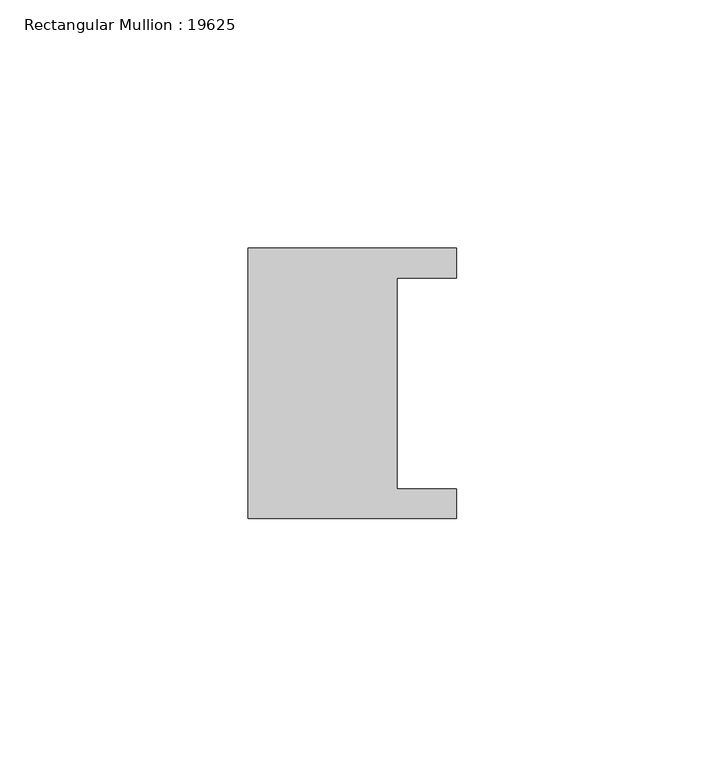
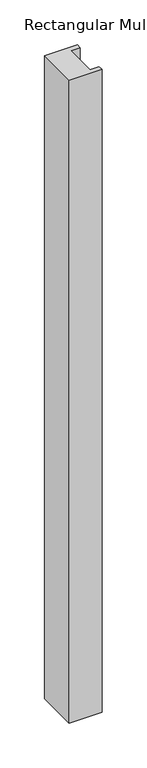
"""IFC4 building model written with IfcOpenShell, lengths in millimetres: member geometry, Rectangular Mullion : 19625."""

from ifc_helpers import new_model, si_unit, frame, origin, place, context, project, spatial, polyline, outline, extrude, source, transform, mapped, element, save


def rectangular_mullion_19625_a4ec7bcf(model_context):
    return source(origin(), model_context, "Body", "SweptSolid", [
        extrude(outline(polyline([(-42.0, 27.25), (0.0, 27.25), (0.0, 21.25), (-12.0, 21.25), (-12.0, -21.25), (0.0, -21.25), (0.0, -27.25), (-42.0, -27.25), (-42.0, 27.25)])), frame((0.0, 0.0, -872.75), z_axis=(0.0, 0.0, 1.0), x_axis=(1.0, 0.0, 0.0)), (0.0, 0.0, 1.0), 872.75),
    ])


if __name__ == "__main__":
    model = new_model("IFC4")
    model_context = context("Model", 3, world=origin())
    ifc_project = project(units=[si_unit("LENGTHUNIT", "METRE", prefix="MILLI")], contexts=[model_context])
    site = spatial("IfcSite", under=ifc_project)
    building = spatial("IfcBuilding", under=site)
    placement = place(None, origin())
    rectangular_mullion_19625_shape = rectangular_mullion_19625_a4ec7bcf(model_context)
    element("IfcMember", 1, ObjectType="Rectangular Mullion : 19625", at=placement, inside=building, context=model_context, shape_type="MappedRepresentation", body=[
        mapped(rectangular_mullion_19625_shape, transform((0.0, 0.0, 0.0), x_axis=(1.0, 0.0, 0.0), y_axis=(0.0, 1.0, 0.0), z_axis=(0.0, 0.0, 1.0))),
    ])
    save(model, "model.ifc")
